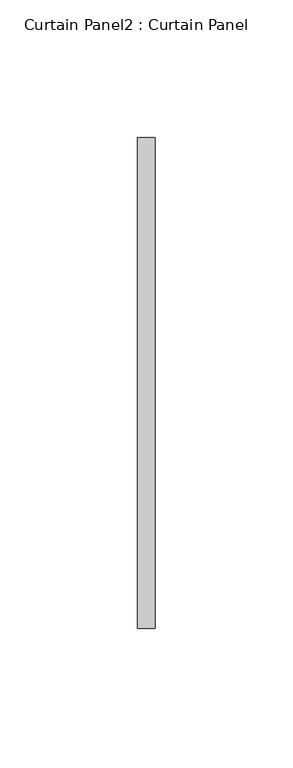
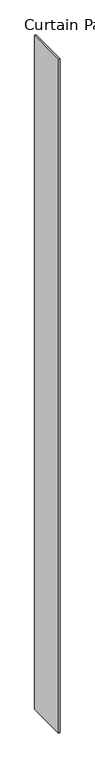
"""IFC4 building model written with IfcOpenShell, lengths in millimetres: plate geometry, Curtain Panel2 : Curtain Panel."""

from ifc_helpers import new_model, si_unit, origin, origin_with_axes, place, context, project, spatial, polyline, outline, extrude, source, transform, mapped, element, save


def curtain_panel2_curtain_panel_6ebd77c9(model_context):
    return source(origin(), model_context, "Body", "SweptSolid", [
        extrude(outline(polyline([(15098.2426687, 5145.9075048), (15098.2426687, 4968.1075048), (15091.8926687, 4968.1075048), (15091.8926687, 5145.9075048), (15098.2426687, 5145.9075048)])), origin_with_axes(), (0.0, 0.0, 1.0), 3048.0),
    ])


if __name__ == "__main__":
    model = new_model("IFC4")
    model_context = context("Model", 3, world=origin())
    ifc_project = project(units=[si_unit("LENGTHUNIT", "METRE", prefix="MILLI")], contexts=[model_context])
    site = spatial("IfcSite", under=ifc_project)
    building = spatial("IfcBuilding", under=site)
    placement = place(None, origin())
    curtain_panel2_curtain_panel_shape = curtain_panel2_curtain_panel_6ebd77c9(model_context)
    element("IfcPlate", 1, ObjectType="Curtain Panel2 : Curtain Panel", at=placement, inside=building, context=model_context, shape_type="MappedRepresentation", body=[
        mapped(curtain_panel2_curtain_panel_shape, transform((0.0, 0.0, 0.0), x_axis=(1.0, 0.0, 0.0), y_axis=(0.0, 1.0, 0.0), z_axis=(0.0, 0.0, 1.0))),
    ])
    save(model, "model.ifc")
